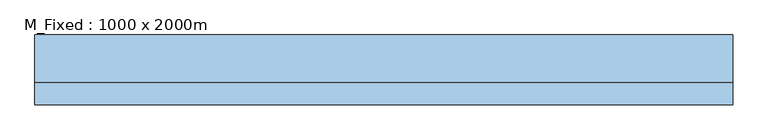
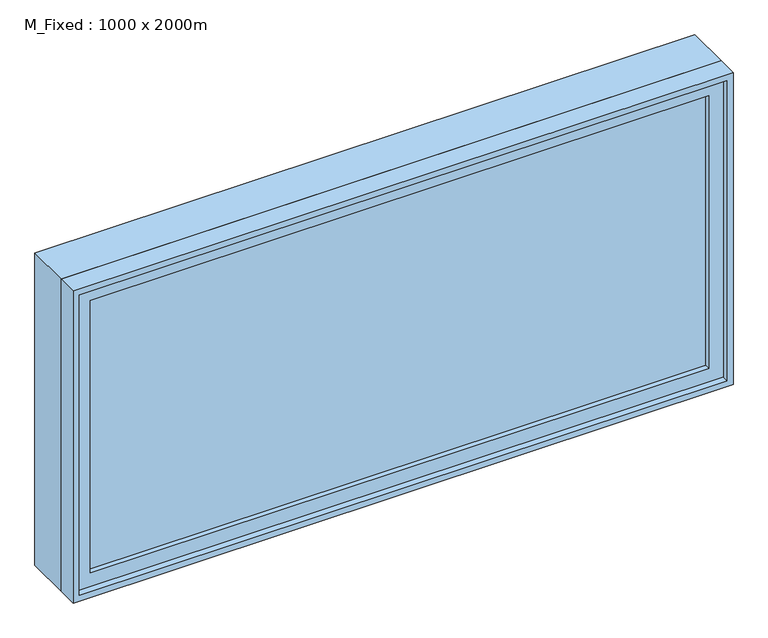
"""IFC4 building model written with IfcOpenShell, lengths in millimetres: window geometry, M_Fixed : 1000 x 2000m."""

from ifc_helpers import new_model, si_unit, frame, origin, place, context, project, spatial, polyline, outline, extrude, source, transform, mapped, element, save


def m_fixed_1000_x_2000m_ad9f652f(model_context):
    return source(origin(), model_context, "Body", "SweptSolid", [
        extrude(outline(polyline([(-937.0, -78.0), (-937.0, -66.0), (937.0, -66.0), (937.0, -78.0), (-937.0, -78.0)])), frame((0.0, 0.0, 963.0), z_axis=(0.0, 0.0, 1.0), x_axis=(1.0, 0.0, 0.0)), (0.0, 0.0, 1.0), 874.0),
        extrude(outline(polyline([(1881.0, -981.0), (919.0, -981.0), (919.0, 981.0), (1881.0, 981.0), (1881.0, -981.0)]), holes=[polyline([(1837.0, -937.0), (1837.0, 937.0), (963.0, 937.0), (963.0, -937.0), (1837.0, -937.0)])]), frame((0.0, -94.0, 0.0), z_axis=(0.0, 1.0, 0.0), x_axis=(0.0, 0.0, 1.0)), (0.0, 0.0, 1.0), 44.0),
        extrude(outline(polyline([(1900.0, -1000.0), (900.0, -1000.0), (900.0, 1000.0), (1900.0, 1000.0), (1900.0, -1000.0)]), holes=[polyline([(1881.0, -981.0), (1881.0, 981.0), (919.0, 981.0), (919.0, -981.0), (1881.0, -981.0)])]), frame((0.0, -113.0, 0.0), z_axis=(0.0, 1.0, 0.0), x_axis=(0.0, 0.0, 1.0)), (0.0, 0.0, 1.0), 63.0),
        extrude(outline(polyline([(1900.0, -1000.0), (900.0, -1000.0), (900.0, 1000.0), (1900.0, 1000.0), (1900.0, -1000.0)]), holes=[polyline([(1868.0, -968.0), (1868.0, 968.0), (932.0, 968.0), (932.0, -968.0), (1868.0, -968.0)])]), frame((0.0, -50.0, 0.0), z_axis=(0.0, 1.0, 0.0), x_axis=(0.0, 0.0, 1.0)), (0.0, 0.0, 1.0), 137.0),
    ])


if __name__ == "__main__":
    model = new_model("IFC4")
    model_context = context("Model", 3, world=origin())
    ifc_project = project(units=[si_unit("LENGTHUNIT", "METRE", prefix="MILLI")], contexts=[model_context])
    site = spatial("IfcSite", under=ifc_project)
    building = spatial("IfcBuilding", under=site)
    placement = place(None, origin())
    m_fixed_1000_x_2000m_shape = m_fixed_1000_x_2000m_ad9f652f(model_context)
    element("IfcWindow", 1, ObjectType="M_Fixed : 1000 x 2000m", at=placement, inside=building, context=model_context, shape_type="MappedRepresentation", body=[
        mapped(m_fixed_1000_x_2000m_shape, transform((0.0, 0.0, 0.0), x_axis=(1.0, 0.0, 0.0), y_axis=(0.0, 1.0, 0.0), z_axis=(0.0, 0.0, 1.0))),
    ])
    save(model, "model.ifc")
